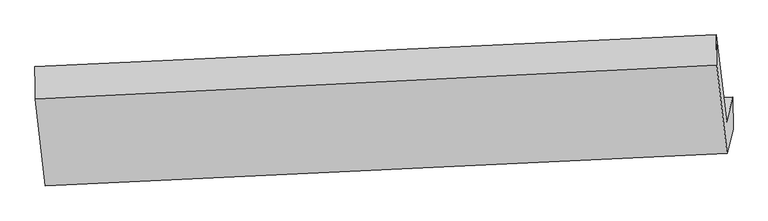
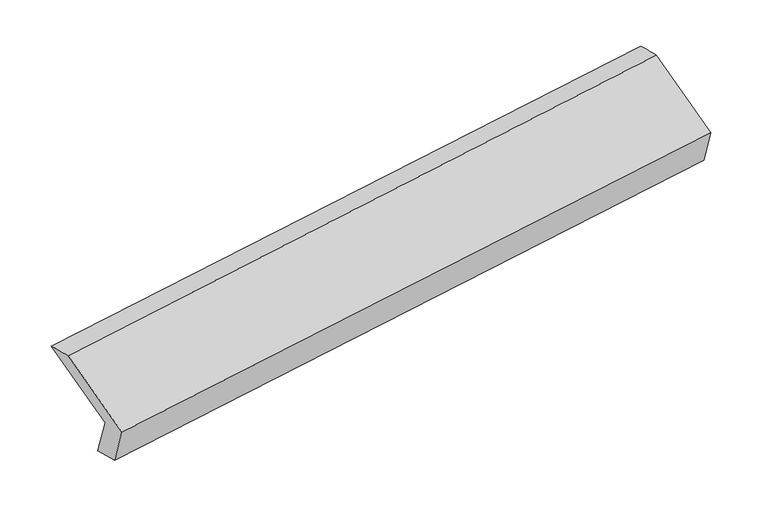
"""IFC4 building model written with IfcOpenShell, lengths in millimetres: proxy geometry."""

from ifc_helpers import new_model, si_unit, frame, origin, place, context, project, spatial, source, transform, mapped, element, save
from ifc_brep_helpers import plane_surface, spline_surface, advanced_brep


def generic_models_dda7c1de(model_context):
    return source(origin(), model_context, "Body", "AdvancedBrep", [
        advanced_brep(
        [(-5144.5173381, -1591.0253874, 1234.9121688), (-5186.8804668, -1762.7405756, 1582.3657466), (-519.5334745, -1543.6298018, 2259.7168636), (-477.1703458, -1371.9146136, 1912.2632858), (-5142.1673926, -1811.4993388, 1290.0389792), (-474.8204002, -1592.3885649, 1967.3900962), (-5184.5305213, -1983.2145269, 1637.492557), (-516.0969545, -1759.69942, 2305.9318164), (-5254.1373688, -1386.2676538, 1924.0231532), (-586.7492629, -1153.7866965, 2596.7659622), (-5256.4873144, -1165.7937025, 1868.8963428), (-589.1403221, -946.6829286, 2546.2474598)],
        [
            (0, 1),
            (1, 2),
            (2, 3),
            (3, 0),
            (4, 0),
            (3, 5),
            (5, 4),
            (6, 4),
            (5, 7),
            (7, 6),
            (8, 6),
            (7, 9),
            (9, 8),
            (10, 8),
            (9, 11),
            (11, 10),
            (1, 10),
            (11, 2),
        ],
        [
            plane_surface(frame((-5165.6989025, -1676.8829815, 1408.6389577), z_axis=(-0.10454608410841082, 0.8965850368883853, 0.4303549557347402), x_axis=(-0.10865744206615052, -0.4404333127922828, 0.8911857591245814))),
            plane_surface(frame((-5143.3423654, -1701.2623631, 1262.475574), z_axis=(0.15043075985581153, -0.23830044093077002, -0.9594704197323667), x_axis=(-0.010339724752873673, 0.9700820229452413, -0.24255712492215803))),
            plane_surface(frame((-5163.3489569, -1897.3569328, 1463.7657681), z_axis=(0.1045460841084106, -0.896585036888386, -0.4303549557347389), x_axis=(0.10865744206615005, 0.4404333127922815, -0.8911857591245822))),
            plane_surface(frame((-5219.333945, -1684.7410904, 1780.7578551), z_axis=(-0.1065633718354167, -0.4403340292172003, 0.8914876277865065), x_axis=(0.10454608410841947, -0.8965850368883834, -0.43035495573474164))),
            spline_surface(1, 1, [[(-5256.4873144, -1165.7937025, 1868.8963428), (-589.1403221, -946.6829286, 2546.2474598)], [(-5254.1373688, -1386.2676538, 1924.0231532), (-586.7492629, -1153.7866965, 2596.7659622)]], [2, 2], [2, 2], [0.0, 1.0], [0.0, 1.0]),
            plane_surface(frame((-5221.6838906, -1464.267139, 1725.6310447), z_axis=(0.10865744206615091, 0.44043331279228176, -0.891185759124582), x_axis=(-0.10454608410841489, 0.8965850368883855, 0.4303549557347384))),
            plane_surface(frame((-527.2517934, -1394.6836709, 2264.7192473), z_axis=(0.9885664755499434, 0.04640871265903596, 0.1434662148664082), x_axis=(0.10454608410841947, -0.8965850368883834, -0.43035495573474164))),
            plane_surface(frame((-5194.7867337, -1616.7568642, 1589.6214913), z_axis=(-0.9885664755499429, -0.046408712659040445, -0.14346621486640992), x_axis=(0.10865744206614948, 0.4404333127922828, -0.8911857591245815))),
        ],
        [
            (0, [[1, 2, 3, 4]]),
            (1, [[5, -4, 6, 7]]),
            (2, [[8, -7, 9, 10]]),
            (3, [[11, -10, 12, 13]]),
            (4, [[14, -13, 15, 16]]),
            (5, [[17, -16, 18, -2]]),
            (6, [[-12, -9, -6, -3, -18, -15]]),
            (7, [[-1, -5, -8, -11, -14, -17]]),
        ],
    ),
    ])


if __name__ == "__main__":
    model = new_model("IFC4")
    model_context = context("Model", 3, world=origin())
    ifc_project = project(units=[si_unit("LENGTHUNIT", "METRE", prefix="MILLI")], contexts=[model_context])
    site = spatial("IfcSite", under=ifc_project)
    building = spatial("IfcBuilding", under=site)
    placement = place(None, origin())
    generic_models_shape = generic_models_dda7c1de(model_context)
    element("IfcBuildingElementProxy", 1, Name="Generic Models", at=placement, inside=building, context=model_context, shape_type="MappedRepresentation", body=[
        mapped(generic_models_shape, transform((0.0, 0.0, 0.0), x_axis=(1.0, 0.0, 0.0), y_axis=(0.0, 1.0, 0.0), z_axis=(0.0, 0.0, 1.0))),
    ])
    save(model, "model.ifc")
